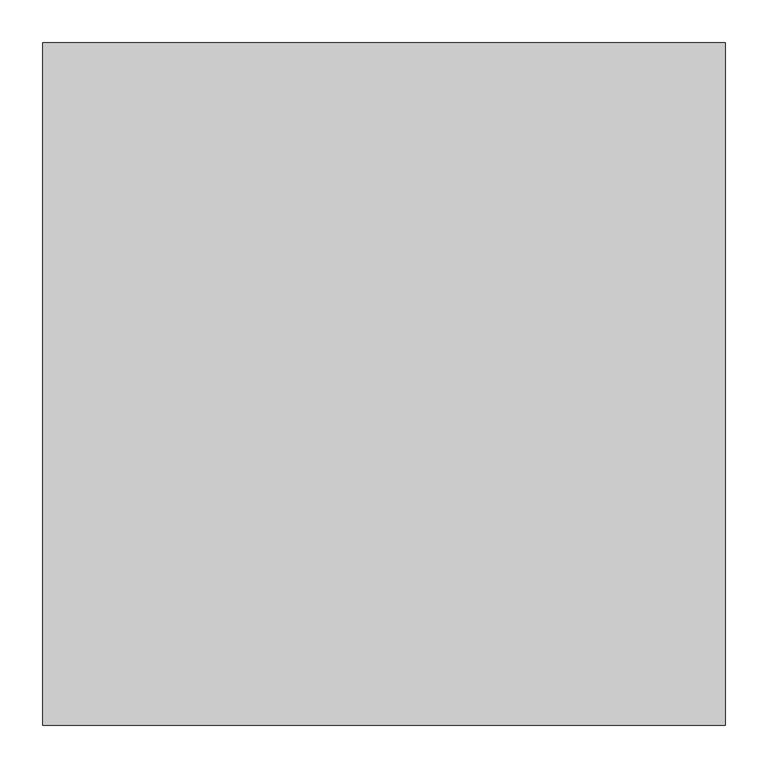
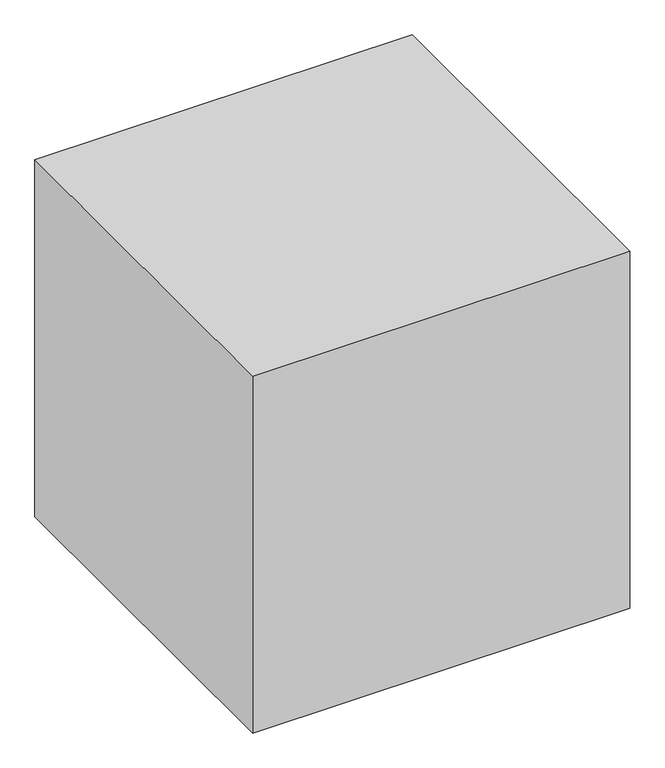
"""IFC4 building model written with IfcOpenShell, lengths in millimetres: proxy geometry."""

from ifc_helpers import new_model, si_unit, frame, origin, place, context, project, spatial, polyline, outline, extrude, source, transform, mapped, element, save


def generic_models_f45b8968(model_context):
    return source(origin(), model_context, "Body", "SweptSolid", [
        extrude(outline(polyline([(800.0, 800.0), (800.0, 0.0), (0.0, 0.0), (0.0, 800.0), (800.0, 800.0)])), frame((0.0, 0.0, 800.0), z_axis=(0.0, 0.0, 1.0), x_axis=(1.0, 0.0, 0.0)), (0.0, 0.0, 1.0), 800.0),
    ])


if __name__ == "__main__":
    model = new_model("IFC4")
    model_context = context("Model", 3, world=origin())
    ifc_project = project(units=[si_unit("LENGTHUNIT", "METRE", prefix="MILLI")], contexts=[model_context])
    site = spatial("IfcSite", under=ifc_project)
    building = spatial("IfcBuilding", under=site)
    placement = place(None, origin())
    generic_models_shape = generic_models_f45b8968(model_context)
    element("IfcBuildingElementProxy", 1, Name="Generic Models", at=placement, inside=building, context=model_context, shape_type="MappedRepresentation", body=[
        mapped(generic_models_shape, transform((0.0, 0.0, 0.0), x_axis=(1.0, 0.0, 0.0), y_axis=(0.0, 1.0, 0.0), z_axis=(0.0, 0.0, 1.0))),
    ])
    save(model, "model.ifc")
